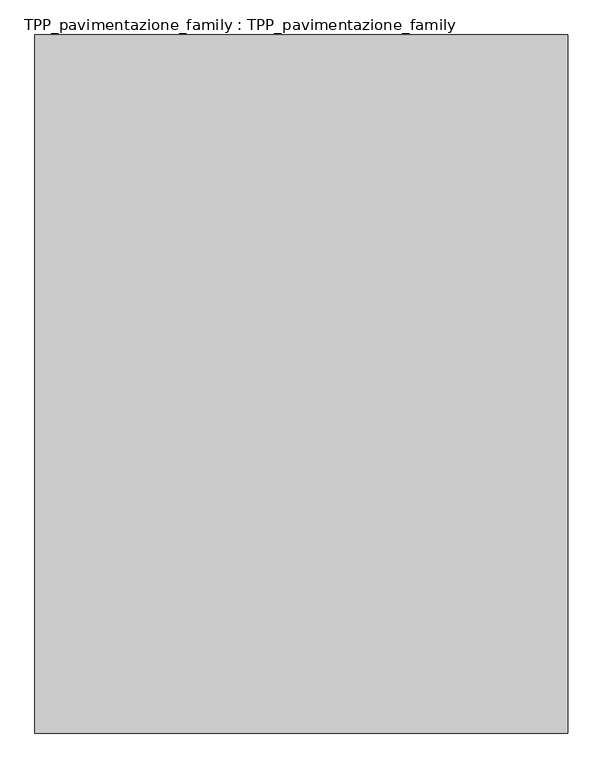
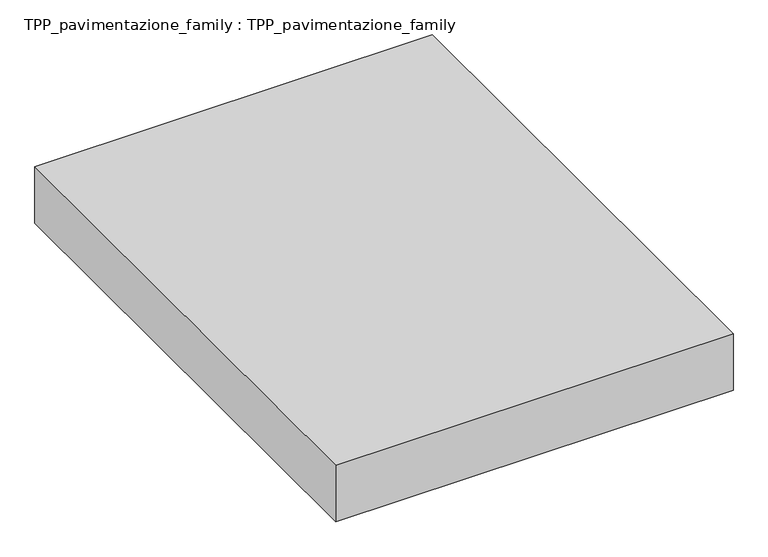
"""IFC4 building model written with IfcOpenShell, lengths in millimetres: proxy geometry, TPP_pavimentazione_family : TPP_pavimentazione_family."""

from ifc_helpers import new_model, si_unit, origin, origin_with_axes, place, context, project, spatial, polyline, outline, extrude, source, transform, mapped, element, save


def tpp_pavimentazione_family_tpp_pavimentazione_family_3c848b59(model_context):
    return source(origin(), model_context, "Body", "SweptSolid", [
        extrude(outline(polyline([(511.8146187, 354.2201026), (511.8146187, -2254.9099521), (-1479.6724094, -2254.9099521), (-1479.6724094, 354.2201026), (511.8146187, 354.2201026)])), origin_with_axes(), (0.0, 0.0, 1.0), 300.0),
    ])


if __name__ == "__main__":
    model = new_model("IFC4")
    model_context = context("Model", 3, world=origin())
    ifc_project = project(units=[si_unit("LENGTHUNIT", "METRE", prefix="MILLI")], contexts=[model_context])
    site = spatial("IfcSite", under=ifc_project)
    building = spatial("IfcBuilding", under=site)
    placement = place(None, origin())
    tpp_pavimentazione_family_tpp_pavimentazione_family_shape = tpp_pavimentazione_family_tpp_pavimentazione_family_3c848b59(model_context)
    element("IfcBuildingElementProxy", 1, Name="TPP_pavimentazione_family : TPP_pavimentazione_family", ObjectType="TPP_pavimentazione_family : TPP_pavimentazione_family", at=placement, inside=building, context=model_context, shape_type="MappedRepresentation", body=[
        mapped(tpp_pavimentazione_family_tpp_pavimentazione_family_shape, transform((0.0, 0.0, 0.0), x_axis=(1.0, 0.0, 0.0), y_axis=(0.0, 1.0, 0.0), z_axis=(0.0, 0.0, 1.0))),
    ])
    save(model, "model.ifc")
